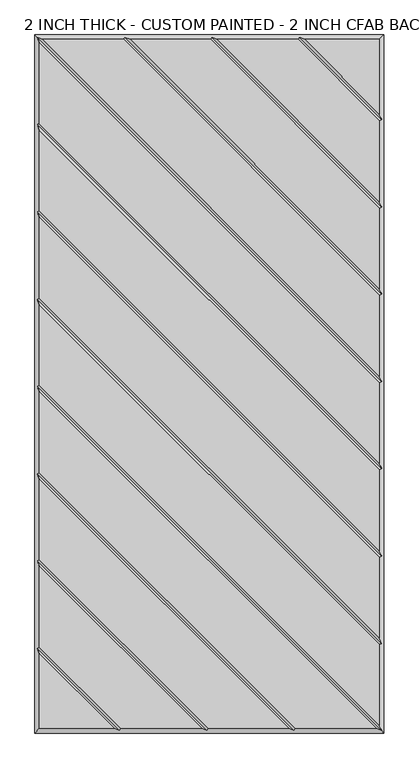
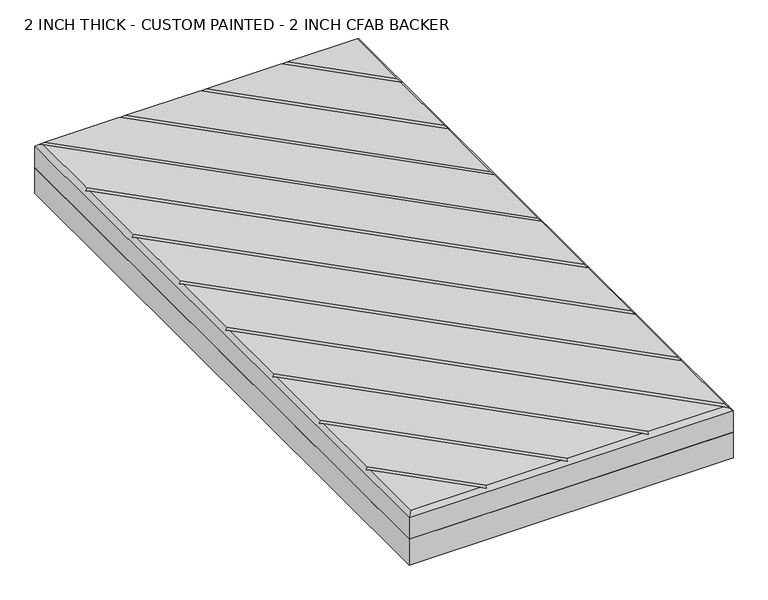
"""IFC4 building model written with IfcOpenShell, lengths in millimetres: proxy geometry, 2 INCH THICK - CUSTOM PAINTED - 2 INCH CFAB BACKER."""

from ifc_helpers import new_model, si_unit, frame, origin, place, context, project, spatial, polyline, outline, extrude, faceted_brep, source, transform, mapped, element, save


def proxy_2_inch_thick_custom_painted_2_inch_cfab_backer_d0b9d6b1(model_context):
    return source(origin(), model_context, "Body", "SolidModel", [
        extrude(outline(polyline([(-304.8, 609.6), (304.8, 609.6), (304.8, -609.6), (-304.8, -609.6), (-304.8, 609.6)])), frame((0.0, 0.0, -50.8), z_axis=(0.0, 0.0, 1.0), x_axis=(1.0, 0.0, 0.0)), (0.0, 0.0, 1.0), 50.8),
        faceted_brep([(296.799, 601.599, 50.8), (166.0590948, 601.599, 50.8), (296.799, 470.8590948, 50.8), (-296.799, -601.599, 50.8), (-166.0590079, -601.599, 50.8), (-296.799, -470.8585721, 50.8), (296.799, 459.543972, 50.8), (154.743972, 601.599, 50.8), (13.6585868, 601.599, 50.8), (296.799, 318.4585868, 50.8), (296.799, 307.143464, 50.8), (2.343464, 601.599, 50.8), (-138.7419092, 601.599, 50.8), (296.799, 166.0585747, 50.8), (296.799, 154.7434583, 50.8), (-150.0570382, 601.599, 50.8), (-291.1414386, 601.599, 50.8), (296.799, 13.6585614, 50.8), (296.799, 2.3434386, 50.8), (-296.799, 595.9414386, 50.8), (-296.799, 454.8565868, 50.8), (296.799, -138.7414132, 50.8), (296.799, -150.056536, 50.8), (-296.799, 443.541464, 50.8), (-296.799, 302.4565868, 50.8), (296.799, -291.1414132, 50.8), (296.799, -302.456536, 50.8), (-296.799, 291.141464, 50.8), (-296.799, 150.0565868, 50.8), (296.799, -443.5414132, 50.8), (296.799, -454.856536, 50.8), (-296.799, 138.741464, 50.8), (-296.799, -2.3434386, 50.8), (296.799, -595.9414386, 50.8), (291.1414386, -601.599, 50.8), (-296.799, -13.6585614, 50.8), (-296.799, -154.7434132, 50.8), (150.0565868, -601.599, 50.8), (-296.799, -459.5434305, 50.8), (-154.743904, -601.599, 50.8), (-13.6585605, -601.599, 50.8), (-296.799, -318.4585369, 50.8), (-296.799, -307.1434137, 50.8), (-2.3434382, -601.599, 50.8), (138.741464, -601.599, 50.8), (-296.799, -166.058536, 50.8), (-304.8, 609.6, 0.0), (304.8, 609.6, 0.0), (304.8, -609.6, 0.0), (-304.8, -609.6, 0.0), (-304.8, -609.6, 42.799), (-304.8, 609.6, 42.799), (304.8, -609.6, 42.799), (304.8, 609.6, 42.799), (-300.7995, 605.5995, 46.7995), (-148.3999782, 605.5995, 46.7995), (4.0005254, 605.5995, 46.7995), (156.4010334, 605.5995, 46.7995), (-300.7995, -461.2004879, 46.7995), (-300.7995, -308.8004749, 46.7995), (-300.7995, -156.4004746, 46.7995), (-300.7995, -4.0005, 46.7995), (-300.7995, 148.3995254, 46.7995), (-300.7995, 300.7995254, 46.7995), (-300.7995, 453.1995254, 46.7995), (300.7995, -605.5995, 46.7995), (148.3995254, -605.5995, 46.7995), (-4.0004997, -605.5995, 46.7995), (-156.4009693, -605.5995, 46.7995), (300.7995, 461.2010334, 46.7995), (300.7995, 308.8005254, 46.7995), (300.7995, 156.400521, 46.7995), (300.7995, 4.0005, 46.7995), (300.7995, -148.3994746, 46.7995), (300.7995, -300.7994746, 46.7995), (300.7995, -453.1994746, 46.7995)], [[[0, 1, 2]], [[3, 4, 5]], [[6, 7, 8, 9]], [[10, 11, 12, 13]], [[14, 15, 16, 17]], [[18, 19, 20, 21]], [[22, 23, 24, 25]], [[26, 27, 28, 29]], [[30, 31, 32, 33]], [[34, 35, 36, 37]], [[38, 39, 40, 41]], [[42, 43, 44, 45]], [[46, 47, 48, 49]], [[46, 49, 50, 51]], [[49, 48, 52, 50]], [[48, 47, 53, 52]], [[47, 46, 51, 53]], [[0, 53, 51, 54, 16, 15, 55, 12, 11, 56, 8, 7, 57, 1]], [[50, 3, 5, 58, 38, 41, 59, 42, 45, 60, 36, 35, 61, 32, 31, 62, 28, 27, 63, 24, 23, 64, 20, 19, 54, 51]], [[3, 50, 52, 65, 34, 37, 66, 44, 43, 67, 40, 39, 68, 4]], [[53, 0, 2, 69, 6, 9, 70, 10, 13, 71, 14, 17, 72, 18, 21, 73, 22, 25, 74, 26, 29, 75, 30, 33, 65, 52]], [[57, 69, 2, 1]], [[69, 57, 7, 6]], [[56, 70, 9, 8]], [[70, 56, 11, 10]], [[55, 71, 13, 12]], [[71, 55, 15, 14]], [[54, 72, 17, 16]], [[72, 54, 19, 18]], [[64, 73, 21, 20]], [[73, 64, 23, 22]], [[63, 74, 25, 24]], [[74, 63, 27, 26]], [[62, 75, 29, 28]], [[75, 62, 31, 30]], [[61, 65, 33, 32]], [[65, 61, 35, 34]], [[58, 68, 39, 38]], [[68, 58, 5, 4]], [[59, 67, 43, 42]], [[67, 59, 41, 40]], [[60, 66, 37, 36]], [[66, 60, 45, 44]]]),
    ])


if __name__ == "__main__":
    model = new_model("IFC4")
    model_context = context("Model", 3, world=origin())
    ifc_project = project(units=[si_unit("LENGTHUNIT", "METRE", prefix="MILLI")], contexts=[model_context])
    site = spatial("IfcSite", under=ifc_project)
    building = spatial("IfcBuilding", under=site)
    placement = place(None, origin())
    proxy_2_inch_thick_custom_painted_2_inch_cfab_backer_shape = proxy_2_inch_thick_custom_painted_2_inch_cfab_backer_d0b9d6b1(model_context)
    element("IfcBuildingElementProxy", 1, Name="2 INCH THICK - CUSTOM PAINTED - 2 INCH CFAB BACKER", ObjectType="2 INCH THICK - CUSTOM PAINTED - 2 INCH CFAB BACKER", at=placement, inside=building, context=model_context, shape_type="MappedRepresentation", body=[
        mapped(proxy_2_inch_thick_custom_painted_2_inch_cfab_backer_shape, transform((0.0, 0.0, 0.0), x_axis=(1.0, 0.0, 0.0), y_axis=(0.0, 1.0, 0.0), z_axis=(0.0, 0.0, 1.0))),
    ])
    save(model, "model.ifc")
